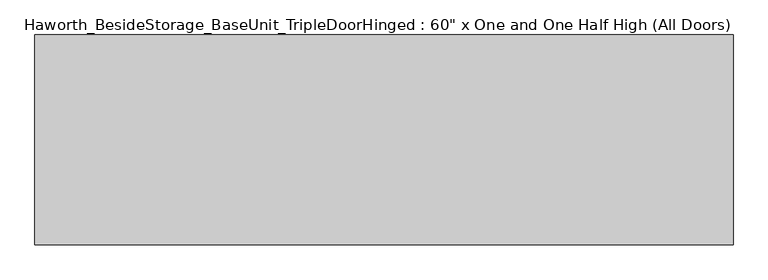
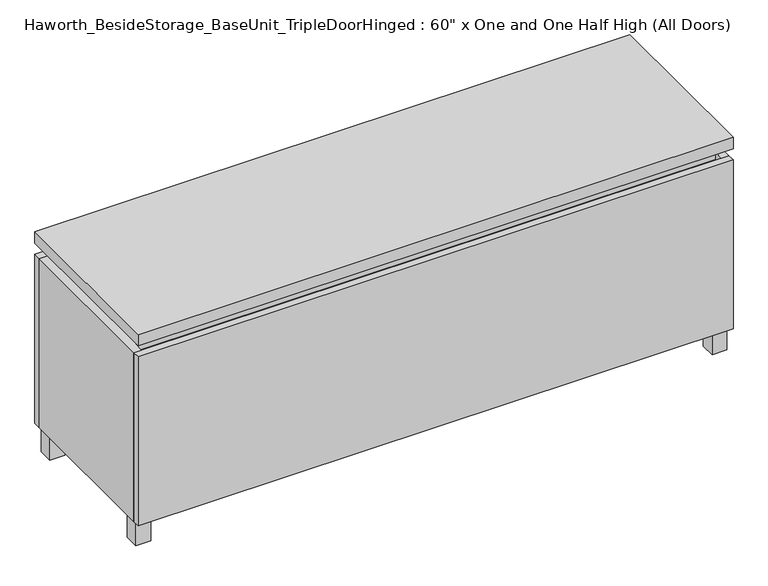
"""IFC4 building model written with IfcOpenShell, lengths in millimetres: furniture geometry."""

from ifc_helpers import new_model, si_unit, frame, origin, origin_with_axes, place, context, project, spatial, polyline, outline, extrude, faceted_brep, source, transform, mapped, element, save


def furniture_b6fbbebd(model_context):
    return source(origin(), model_context, "Body", "SolidModel", [
        extrude(outline(polyline([(-19.0361094, -82.55), (-19.0361094, -44.45), (19.0638906, -44.45), (19.0638906, -82.55), (-19.0361094, -82.55)])), origin_with_axes(), (0.0, 0.0, 1.0), 66.675),
        extrude(outline(polyline([(717.5638906, 114.3), (717.5638906, 152.4), (755.6638906, 152.4), (755.6638906, 114.3), (717.5638906, 114.3)])), origin_with_axes(), (0.0, 0.0, 1.0), 66.675),
        extrude(outline(polyline([(717.5638906, -228.6), (755.6638906, -228.6), (755.6638906, -266.7), (717.5638906, -266.7), (717.5638906, -228.6)])), origin_with_axes(), (0.0, 0.0, 1.0), 66.675),
        extrude(outline(polyline([(-717.5361094, 114.3), (-755.6361094, 114.3), (-755.6361094, 152.4), (-717.5361094, 152.4), (-717.5361094, 114.3)])), origin_with_axes(), (0.0, 0.0, 1.0), 66.675),
        extrude(outline(polyline([(-717.5361094, -228.6), (-717.5361094, -266.7), (-755.6361094, -266.7), (-755.6361094, -228.6), (-717.5361094, -228.6)])), origin_with_axes(), (0.0, 0.0, 1.0), 66.675),
        faceted_brep([(-760.3986094, 152.4, 66.675), (-760.3986094, 152.4, 523.875), (760.4125, 152.4, 523.875), (760.4125, 152.4, 66.675), (-741.3486094, 152.4, 85.725), (741.3486094, 152.4, 85.725), (741.3486094, 152.4, 504.825), (-741.3416641, 152.4, 504.825), (-760.3986094, -266.7, 66.675), (760.4125, -266.7, 66.675), (760.4125, -266.7, 523.875), (741.3486094, -266.7, 523.875), (741.3486094, -266.7, 85.725), (-741.3486094, -266.7, 85.725), (-741.3486094, -266.7, 523.875), (-760.3986094, -266.7, 523.875), (-741.3486094, -241.3, 523.875), (741.3694453, -241.3, 523.875), (-741.3486094, -241.3, 504.825), (741.3486094, -241.3, 504.825)], [[[0, 1, 2, 3], [4, 5, 6, 7]], [[8, 9, 10, 11, 12, 13, 14, 15]], [[3, 9, 8, 0]], [[2, 10, 9, 3]], [[1, 15, 14, 16, 17, 11, 10, 2]], [[0, 8, 15, 1]], [[13, 4, 7, 18, 16, 14]], [[11, 17, 19, 6, 5, 12]], [[4, 13, 12, 5]], [[6, 19, 18, 7]], [[16, 18, 19, 17]]]),
        extrude(outline(polyline([(760.4263906, 171.45), (760.4263906, -285.75), (-760.3986094, -285.75), (-760.3986094, 171.45), (760.4263906, 171.45)])), frame((0.0, 0.0, 554.0375), z_axis=(0.0, 0.0, 1.0), x_axis=(1.0, 0.0, 0.0)), (0.0, 0.0, 1.0), 30.1625),
        faceted_brep([(7.9513906, 76.2, 554.0375), (7.9513906, -47.625, 554.0375), (7.9513906, -47.625, 523.875), (7.9513906, 76.2, 523.875), (7.9513906, -190.5, 523.875), (7.9513906, -66.675, 523.875), (7.9513906, -66.675, 554.0375), (7.9513906, -190.5, 554.0375), (-7.9236094, -190.5, 554.0375), (-7.9236094, -66.675, 554.0375), (-7.9236094, -66.675, 523.875), (-7.9236094, -190.5, 523.875), (-7.9236094, 76.2, 523.875), (-7.9236094, -47.625, 523.875), (-7.9236094, -47.625, 554.0375), (-7.9236094, 76.2, 554.0375), (719.1236094, -66.675, 554.0375), (719.1236094, -241.3, 554.0375), (734.9986094, -241.3, 554.0375), (734.9986094, 127.0, 554.0375), (719.1236094, 127.0, 554.0375), (719.1236094, -47.625, 554.0375), (-719.0958281, -47.625, 554.0375), (-719.1166641, 127.0, 554.0375), (-734.9916641, 127.0, 554.0375), (-734.9916641, -241.3, 554.0375), (-719.1166641, -241.3, 554.0375), (-719.1166641, -66.675, 554.0375), (719.1236094, -47.625, 523.875), (719.1236094, 127.0, 523.875), (734.9986094, 127.0, 523.875), (734.9986094, -241.3, 523.875), (719.1236094, -241.3, 523.875), (719.1236094, -66.675, 523.875), (-719.0958281, -66.675, 523.875), (-719.1166641, -241.3, 523.875), (-734.9916641, -241.3, 523.875), (-734.9916641, 127.0, 523.875), (-719.1166641, 127.0, 523.875), (-719.1166641, -47.625, 523.875)], [[[0, 1, 2, 3]], [[4, 5, 6, 7]], [[8, 9, 10, 11]], [[12, 13, 14, 15]], [[7, 6, 16, 17, 18, 19, 20, 21, 1, 0, 15, 14, 22, 23, 24, 25, 26, 27, 9, 8]], [[3, 2, 28, 29, 30, 31, 32, 33, 5, 4, 11, 10, 34, 35, 36, 37, 38, 39, 13, 12]], [[7, 8, 11, 4]], [[3, 12, 15, 0]], [[6, 5, 33, 16]], [[21, 28, 2, 1]], [[23, 22, 39, 38]], [[35, 34, 27, 26]], [[25, 24, 37, 36]], [[38, 37, 24, 23]], [[26, 25, 36, 35]], [[17, 16, 33, 32]], [[29, 28, 21, 20]], [[18, 31, 30, 19]], [[20, 19, 30, 29]], [[32, 31, 18, 17]], [[27, 34, 10, 9]], [[14, 13, 39, 22]]]),
        extrude(outline(polyline([(760.4263906, -266.7), (760.4263906, -285.75), (-760.3986094, -285.75), (-760.3986094, -266.7), (760.4263906, -266.7)])), frame((0.0, 0.0, 66.675), z_axis=(0.0, 0.0, 1.0), x_axis=(1.0, 0.0, 0.0)), (0.0, 0.0, 1.0), 457.2),
        extrude(outline(polyline([(-741.3416641, -196.85), (741.3694453, -196.85), (741.3694453, -203.2), (-741.3416641, -203.2), (-741.3416641, -196.85)])), frame((0.0, 0.0, 85.725), z_axis=(0.0, 0.0, 1.0), x_axis=(1.0, 0.0, 0.0)), (0.0, 0.0, 1.0), 419.1),
        extrude(outline(polyline([(381.8076406, 171.45), (760.4263906, 171.45), (760.4263906, 152.4), (381.8076406, 152.4), (381.8076406, 171.45)])), frame((0.0, 0.0, 66.675), z_axis=(0.0, 0.0, 1.0), x_axis=(1.0, 0.0, 0.0)), (0.0, 0.0, 1.0), 457.2),
        extrude(outline(polyline([(-381.7798594, 171.45), (-381.7798594, 152.4), (-760.3986094, 152.4), (-760.3986094, 171.45), (-381.7798594, 171.45)])), frame((0.0, 0.0, 66.675), z_axis=(0.0, 0.0, 1.0), x_axis=(1.0, 0.0, 0.0)), (0.0, 0.0, 1.0), 457.2),
        extrude(outline(polyline([(0.0138906, 171.45), (378.6326406, 171.45), (378.6326406, 152.4), (0.0138906, 152.4), (0.0138906, 171.45)])), frame((0.0, 0.0, 66.675), z_axis=(0.0, 0.0, 1.0), x_axis=(1.0, 0.0, 0.0)), (0.0, 0.0, 1.0), 457.2),
        extrude(outline(polyline([(0.0138906, 171.45), (0.0138906, 152.4), (-378.6048594, 152.4), (-378.6048594, 171.45), (0.0138906, 171.45)])), frame((0.0, 0.0, 66.675), z_axis=(0.0, 0.0, 1.0), x_axis=(1.0, 0.0, 0.0)), (0.0, 0.0, 1.0), 457.2),
        extrude(outline(polyline([(370.6951406, -196.85), (370.6951406, 152.4), (389.7451406, 152.4), (389.7451406, -196.85), (370.6951406, -196.85)])), frame((0.0, 0.0, 85.725), z_axis=(0.0, 0.0, 1.0), x_axis=(1.0, 0.0, 0.0)), (0.0, 0.0, 1.0), 419.1),
        extrude(outline(polyline([(-389.7173594, -196.85), (-389.7173594, 152.4), (-370.6673594, 152.4), (-370.6673594, -196.85), (-389.7173594, -196.85)])), frame((0.0, 0.0, 85.725), z_axis=(0.0, 0.0, 1.0), x_axis=(1.0, 0.0, 0.0)), (0.0, 0.0, 1.0), 419.1),
    ])


if __name__ == "__main__":
    model = new_model("IFC4")
    model_context = context("Model", 3, world=origin())
    ifc_project = project(units=[si_unit("LENGTHUNIT", "METRE", prefix="MILLI")], contexts=[model_context])
    site = spatial("IfcSite", under=ifc_project)
    building = spatial("IfcBuilding", under=site)
    placement = place(None, origin())
    furniture_shape = furniture_b6fbbebd(model_context)
    element("IfcFurniture", 1, ObjectType="Haworth_BesideStorage_BaseUnit_TripleDoorHinged : 60\" x One and One Half High (All Doors)", at=placement, inside=building, context=model_context, shape_type="MappedRepresentation", body=[
        mapped(furniture_shape, transform((0.0, 0.0, 0.0), x_axis=(1.0, 0.0, 0.0), y_axis=(0.0, 1.0, 0.0), z_axis=(0.0, 0.0, 1.0))),
    ])
    save(model, "model.ifc")
